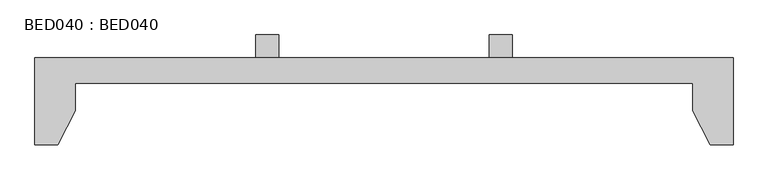
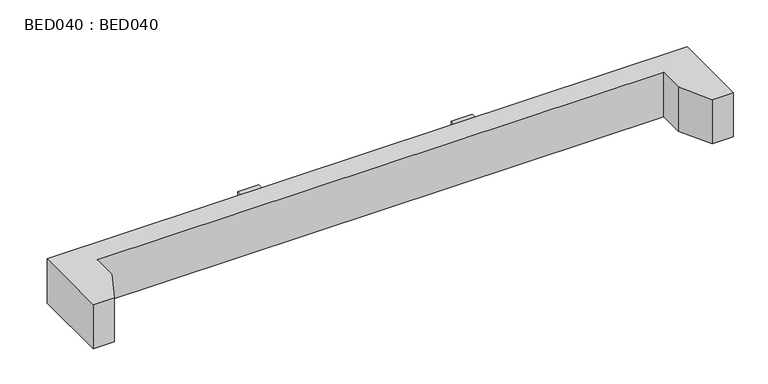
"""IFC4 building model written with IfcOpenShell, lengths in millimetres: proxy geometry, BED040 : BED040."""

from ifc_helpers import new_model, si_unit, frame, origin, origin_with_axes, place, context, project, spatial, polyline, outline, extrude, source, transform, mapped, element, save


def bed040_bed040_58376fa8(model_context):
    return source(origin(), model_context, "Body", "SweptSolid", [
        extrude(outline(polyline([(0.0, -151.9999972), (0.0, 0.0), (1219.0000122, 0.0), (1219.0000122, -151.9999972), (1178.9999828, -151.9999972), (1148.9999971, -91.9999985), (1148.9999971, -43.9999942), (70.0000014, -43.9999942), (70.0000014, -91.9999985), (40.0000021, -151.9999972), (0.0, -151.9999972)])), origin_with_axes(), (0.0, 0.0, 1.0), 89.0),
        extrude(outline(polyline([(833.0000267, 0.0), (792.9999973, 0.0), (792.9999973, 40.0000021), (833.0000267, 40.0000021), (833.0000267, 0.0)])), frame((0.0, 0.0, 24.4999989), z_axis=(0.0, 0.0, 1.0), x_axis=(1.0, 0.0, 0.0)), (0.0, 0.0, 1.0), 40.0000021),
        extrude(outline(polyline([(426.0000149, 0.0), (385.9999855, 0.0), (385.9999855, 40.0000021), (426.0000149, 40.0000021), (426.0000149, 0.0)])), frame((0.0, 0.0, 24.4999989), z_axis=(0.0, 0.0, 1.0), x_axis=(1.0, 0.0, 0.0)), (0.0, 0.0, 1.0), 40.0000021),
    ])


if __name__ == "__main__":
    model = new_model("IFC4")
    model_context = context("Model", 3, world=origin())
    ifc_project = project(units=[si_unit("LENGTHUNIT", "METRE", prefix="MILLI")], contexts=[model_context])
    site = spatial("IfcSite", under=ifc_project)
    building = spatial("IfcBuilding", under=site)
    placement = place(None, origin())
    bed040_bed040_shape = bed040_bed040_58376fa8(model_context)
    element("IfcBuildingElementProxy", 1, Name="BED040 : BED040", ObjectType="BED040 : BED040", at=placement, inside=building, context=model_context, shape_type="MappedRepresentation", body=[
        mapped(bed040_bed040_shape, transform((0.0, 0.0, 0.0), x_axis=(1.0, 0.0, 0.0), y_axis=(0.0, 1.0, 0.0), z_axis=(0.0, 0.0, 1.0))),
    ])
    save(model, "model.ifc")
